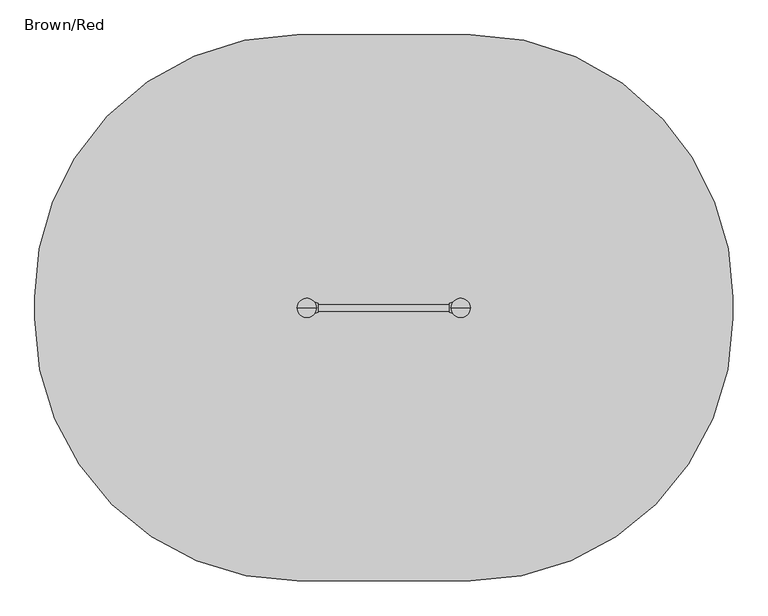
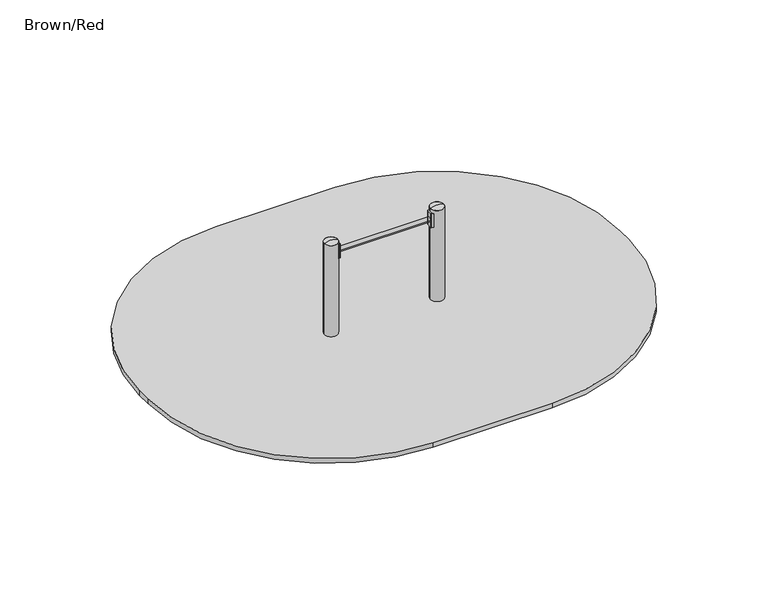
"""IFC4 building model written with IfcOpenShell, lengths in millimetres: furniture geometry, Brown/Red."""

from ifc_helpers import new_model, si_unit, point, frame, frame_2d, origin, place, context, project, spatial, polyline, circle_curve, ellipse_curve, trimmed, segment, composite_curve, outline, extrude, source, transform, mapped, element, save
from ifc_brep_helpers import plane_surface, cylinder_surface, revolved_surface, extruded_surface, advanced_brep


def brown_red_815c9fa6(model_context):
    return source(origin(), model_context, "Body", "SolidModel", [
        extrude(outline(composite_curve([segment(trimmed(circle_curve(frame_2d((392.9142918, -30.3699948)), 1.0), [point((393.7544629, -29.8276734))], [point((392.5722716, -31.3096874))], False, "CARTESIAN"), True, "CONTINUOUS"), segment(polyline([(392.5722716, -31.3096874), (375.8945227, -25.2394832)]), True, "CONTINUOUS"), segment(trimmed(circle_curve(frame_2d((376.2365429, -24.2997906)), 1.0), [point((375.8945227, -25.2394832))], [point((375.2365429, -24.2997906))], False, "CARTESIAN"), True, "CONTINUOUS"), segment(polyline([(375.2365429, -24.2997906), (375.2365429, 24.2997943)]), True, "CONTINUOUS"), segment(trimmed(circle_curve(frame_2d((376.2365429, 24.2997943)), 1.0), [point((375.2365429, 24.2997943))], [point((375.8945227, 25.2394869))], False, "CARTESIAN"), True, "CONTINUOUS"), segment(polyline([(375.8945227, 25.2394869), (392.5722716, 31.3096911)]), True, "CONTINUOUS"), segment(trimmed(circle_curve(frame_2d((392.9142918, 30.3699985)), 1.0), [point((392.5722716, 31.3096911))], [point((393.7544629, 29.8276771))], False, "CARTESIAN"), True, "CONTINUOUS"), segment(trimmed(circle_curve(frame_2d((439.9638752, 1.9e-06)), 55.0), [point((393.7544629, 29.8276771))], [point((393.7544629, -29.8276734))], True, "CARTESIAN"), True, "CONTINUOUS")], self_intersect=False)), frame((0.0, 0.0, 650.0), z_axis=(0.0, 0.0, 1.0), x_axis=(1.0, 0.0, 0.0)), (0.0, 0.0, 1.0), 120.0),
        extrude(outline(composite_curve([segment(trimmed(circle_curve(frame_2d((-392.9902489, 30.3699948)), 1.0), [point((-393.83042, 29.8276734))], [point((-392.6482288, 31.3096874))], False, "CARTESIAN"), True, "CONTINUOUS"), segment(polyline([(-392.6482288, 31.3096874), (-375.9704799, 25.2394832)]), True, "CONTINUOUS"), segment(trimmed(circle_curve(frame_2d((-376.3125, 24.2997906)), 1.0), [point((-375.9704799, 25.2394832))], [point((-375.3125, 24.2997906))], False, "CARTESIAN"), True, "CONTINUOUS"), segment(polyline([(-375.3125, 24.2997906), (-375.3125, -24.2997943)]), True, "CONTINUOUS"), segment(trimmed(circle_curve(frame_2d((-376.3125, -24.2997943)), 1.0), [point((-375.3125, -24.2997943))], [point((-375.9704799, -25.2394869))], False, "CARTESIAN"), True, "CONTINUOUS"), segment(polyline([(-375.9704799, -25.2394869), (-392.6482288, -31.3096911)]), True, "CONTINUOUS"), segment(trimmed(circle_curve(frame_2d((-392.9902489, -30.3699985)), 1.0), [point((-392.6482288, -31.3096911))], [point((-393.83042, -29.8276771))], False, "CARTESIAN"), True, "CONTINUOUS"), segment(trimmed(circle_curve(frame_2d((-440.0398324, -1.9e-06)), 55.0), [point((-393.83042, -29.8276771))], [point((-393.83042, 29.8276734))], True, "CARTESIAN"), True, "CONTINUOUS")], self_intersect=False)), frame((0.0, 0.0, 650.0), z_axis=(0.0, 0.0, 1.0), x_axis=(1.0, 0.0, 0.0)), (0.0, 0.0, 1.0), 120.0),
        advanced_brep(
        [(-427.5, 72.4599432, -224.0), (-440.0, 72.4599432, -224.0), (-452.5, 72.4599432, -224.0), (-512.5, 12.4599432, -224.0), (-512.5, -12.5400568, -224.0), (-452.5, -72.5400568, -224.0), (-427.5, -72.5400568, -224.0), (-367.5, -12.5400568, -224.0), (-367.5, 12.4599432, -224.0), (-350.0, 150.0, -459.0), (-440.0, 150.0, -459.0), (-530.0, 150.0, -459.0), (-590.0, 90.0, -459.0), (-590.0, -90.0, -459.0), (-530.0, -150.0, -459.0), (-350.0, -150.0, -459.0), (-290.0, -90.0, -459.0), (-290.0, 90.0, -459.0), (-350.0, 150.0, -599.0), (-290.0, 90.0, -599.0), (-290.0, -90.0, -599.0), (-350.0, -150.0, -599.0), (-530.0, -150.0, -599.0), (-590.0, -90.0, -599.0), (-590.0, 90.0, -599.0), (-530.0, 150.0, -599.0), (-440.0, 150.0, -599.0)],
        [
            (0, 1),
            (1, 2),
            (2, 3, circle_curve(frame((-452.5, 12.4599432, -224.0), z_axis=(0.0, 0.0, 1.0), x_axis=(1.0, 0.0, 0.0)), 60.0)),
            (3, 4),
            (4, 5, circle_curve(frame((-452.5, -12.5400568, -224.0), z_axis=(0.0, 0.0, 1.0), x_axis=(1.0, 0.0, 0.0)), 60.0)),
            (5, 6),
            (6, 7, circle_curve(frame((-427.5, -12.5400568, -224.0), z_axis=(0.0, 0.0, 1.0), x_axis=(1.0, 0.0, 0.0)), 60.0)),
            (7, 8),
            (8, 0, circle_curve(frame((-427.5, 12.4599432, -224.0), z_axis=(0.0, 0.0, 1.0), x_axis=(1.0, 0.0, 0.0)), 60.0)),
            (0, 9),
            (9, 10),
            (10, 1),
            (10, 11),
            (11, 2),
            (11, 12, circle_curve(frame((-530.0, 90.0, -459.0), z_axis=(0.0, 0.0, 1.0), x_axis=(1.0, 0.0, 0.0)), 60.0)),
            (12, 3),
            (12, 13),
            (13, 4),
            (13, 14, circle_curve(frame((-530.0, -90.0, -459.0), z_axis=(0.0, 0.0, 1.0), x_axis=(1.0, 0.0, 0.0)), 60.0)),
            (14, 5),
            (14, 15),
            (15, 6),
            (15, 16, circle_curve(frame((-350.0, -90.0, -459.0), z_axis=(0.0, 0.0, 1.0), x_axis=(1.0, 0.0, 0.0)), 60.0)),
            (16, 7),
            (16, 17),
            (17, 8),
            (17, 9, circle_curve(frame((-350.0, 90.0, -459.0), z_axis=(0.0, 0.0, 1.0), x_axis=(1.0, 0.0, 0.0)), 60.0)),
            (18, 19, circle_curve(frame((-350.0, 90.0, -599.0), z_axis=(0.0, 0.0, -1.0), x_axis=(1.0, 0.0, 0.0)), 60.0)),
            (19, 20),
            (20, 21, circle_curve(frame((-350.0, -90.0, -599.0), z_axis=(0.0, 0.0, -1.0), x_axis=(1.0, 0.0, 0.0)), 60.0)),
            (21, 22),
            (22, 23, circle_curve(frame((-530.0, -90.0, -599.0), z_axis=(0.0, 0.0, -1.0), x_axis=(1.0, 0.0, 0.0)), 60.0)),
            (23, 24),
            (24, 25, circle_curve(frame((-530.0, 90.0, -599.0), z_axis=(0.0, 0.0, -1.0), x_axis=(1.0, 0.0, 0.0)), 60.0)),
            (25, 26),
            (26, 18),
            (26, 10),
            (9, 18),
            (25, 11),
            (23, 13),
            (12, 24),
            (21, 15),
            (14, 22),
            (19, 17),
            (16, 20),
        ],
        [
            plane_surface(frame((-440.0, 8.0154988, -224.0), z_axis=(0.0, 0.0, 1.0), x_axis=(-1.0, 0.0, 0.0))),
            plane_surface(frame((-433.75, 72.4599432, -224.0), z_axis=(0.0, 0.9496406059136844, 0.3133412191204512), x_axis=(1.0, 0.0, 0.0))),
            plane_surface(frame((-446.25, 72.4599432, -224.0), z_axis=(0.0, 0.9496406059136843, 0.3133412191204512), x_axis=(1.0, 0.0, 0.0))),
            extruded_surface(trimmed(circle_curve(frame((-452.5, 12.4599432, -224.0), z_axis=(0.0, 0.0, -1.0), x_axis=(1.0, 0.0, 0.0)), 60.0), [point((-512.5, 12.4599432, -224.0))], [point((-452.5, 72.4599432, -224.0))], True, "CARTESIAN"), (-77.5, 77.5400568, -235.0), 259.3139225119763),
            plane_surface(frame((-512.5, -0.0400568, -224.0), z_axis=(-0.9496887635303409, 0.0, 0.31319523052596476), x_axis=(0.0, 1.0, 0.0))),
            extruded_surface(trimmed(circle_curve(frame((-452.5, -12.5400568, -224.0), z_axis=(0.0, 0.0, -1.0), x_axis=(1.0, 0.0, 0.0)), 60.0), [point((-452.5, -72.5400568, -224.0))], [point((-512.5, -12.5400568, -224.0))], True, "CARTESIAN"), (-77.5, -77.4599432, -235.0), 259.2899782107809),
            plane_surface(frame((-440.0, -72.5400568, -224.0), z_axis=(0.0, -0.9497369035840961, 0.3130492197250991), x_axis=(-1.0, 0.0, 0.0))),
            extruded_surface(trimmed(circle_curve(frame((-427.5, -12.5400568, -224.0), z_axis=(0.0, 0.0, -1.0), x_axis=(1.0, 0.0, 0.0)), 60.0), [point((-367.5, -12.5400568, -224.0))], [point((-427.5, -72.5400568, -224.0))], True, "CARTESIAN"), (77.5, -77.4599432, -235.0), 259.2899782107809),
            plane_surface(frame((-367.5, -0.0400568, -224.0), z_axis=(0.9496887635303416, 0.0, 0.3131952305259627), x_axis=(0.0, -1.0, 0.0))),
            extruded_surface(trimmed(circle_curve(frame((-427.5, 12.4599432, -224.0), z_axis=(0.0, 0.0, -1.0), x_axis=(1.0, 0.0, 0.0)), 60.0), [point((-427.5, 72.4599432, -224.0))], [point((-367.5, 12.4599432, -224.0))], True, "CARTESIAN"), (77.5, 77.5400568, -235.0), 259.3139225119763),
            plane_surface(frame((-440.0, 150.0, -599.0), z_axis=(0.0, 0.0, -1.0), x_axis=(1.0, 0.0, 0.0))),
            plane_surface(frame((-350.0, 150.0, -459.0), z_axis=(0.0, 1.0, 0.0), x_axis=(0.0, 0.0, -1.0))),
            plane_surface(frame((-440.0, 150.0, -459.0), z_axis=(0.0, 1.0, 0.0), x_axis=(0.0, 0.0, -1.0))),
            plane_surface(frame((-590.0, 90.0, -459.0), z_axis=(-1.0, 0.0, 0.0), x_axis=(0.0, 0.0, -1.0))),
            plane_surface(frame((-530.0, -150.0, -459.0), z_axis=(0.0, -1.0, 0.0), x_axis=(0.0, 0.0, -1.0))),
            plane_surface(frame((-290.0, -90.0, -459.0), z_axis=(1.0, 0.0, 0.0), x_axis=(0.0, 0.0, -1.0))),
            cylinder_surface(frame((-530.0, 90.0, -599.0), z_axis=(0.0, 0.0, 1.0), x_axis=(1.0, 0.0, 0.0)), 60.0),
            cylinder_surface(frame((-530.0, -90.0, -599.0), z_axis=(0.0, 0.0, 1.0), x_axis=(1.0, 0.0, 0.0)), 60.0),
            cylinder_surface(frame((-350.0, -90.0, -599.0), z_axis=(0.0, 0.0, 1.0), x_axis=(1.0, 0.0, 0.0)), 60.0),
            cylinder_surface(frame((-350.0, 90.0, -599.0), z_axis=(0.0, 0.0, 1.0), x_axis=(1.0, 0.0, 0.0)), 60.0),
        ],
        [
            (0, [[1, 2, 3, 4, 5, 6, 7, 8, 9]]),
            (1, [[-1, 10, 11, 12]]),
            (2, [[-2, -12, 13, 14]]),
            (3, [[-3, -14, 15, 16]]),
            (4, [[-4, -16, 17, 18]]),
            (5, [[-5, -18, 19, 20]]),
            (6, [[-6, -20, 21, 22]]),
            (7, [[-7, -22, 23, 24]]),
            (8, [[-8, -24, 25, 26]]),
            (9, [[-9, -26, 27, -10]]),
            (10, [[28, 29, 30, 31, 32, 33, 34, 35, 36]]),
            (11, [[-36, 37, -11, 38]]),
            (12, [[-35, 39, -13, -37]]),
            (13, [[-33, 40, -17, 41]]),
            (14, [[-31, 42, -21, 43]]),
            (15, [[-29, 44, -25, 45]]),
            (16, [[-34, -41, -15, -39]]),
            (17, [[-32, -43, -19, -40]]),
            (18, [[-30, -45, -23, -42]]),
            (19, [[-28, -38, -27, -44]]),
        ],
    ),
        extrude(outline(composite_curve([segment(trimmed(circle_curve(frame_2d((-440.0, 0.0)), 55.0), [point((-495.0, 0.0))], [point((-385.0, 0.0))], False, "CARTESIAN"), True, "CONTINUOUS"), segment(trimmed(circle_curve(frame_2d((-440.0, 0.0)), 55.0), [point((-385.0, 0.0))], [point((-495.0, 0.0))], False, "CARTESIAN"), True, "CONTINUOUS")], self_intersect=False)), frame((0.0, 0.0, -599.0), z_axis=(0.0, 0.0, 1.0), x_axis=(1.0, 0.0, 0.0)), (0.0, 0.0, 1.0), 500.0),
        advanced_brep(
        [(452.5, 72.4599432, -224.0), (440.0, 72.4599432, -224.0), (427.5, 72.4599432, -224.0), (367.5, 12.4599432, -224.0), (367.5, -12.5400568, -224.0), (427.5, -72.5400568, -224.0), (452.5, -72.5400568, -224.0), (512.5, -12.5400568, -224.0), (512.5, 12.4599432, -224.0), (530.0, 150.0, -459.0), (440.0, 150.0, -459.0), (350.0, 150.0, -459.0), (290.0, 90.0, -459.0), (290.0, -90.0, -459.0), (350.0, -150.0, -459.0), (530.0, -150.0, -459.0), (590.0, -90.0, -459.0), (590.0, 90.0, -459.0), (530.0, 150.0, -599.0), (590.0, 90.0, -599.0), (590.0, -90.0, -599.0), (530.0, -150.0, -599.0), (350.0, -150.0, -599.0), (290.0, -90.0, -599.0), (290.0, 90.0, -599.0), (350.0, 150.0, -599.0), (440.0, 150.0, -599.0)],
        [
            (0, 1),
            (1, 2),
            (2, 3, circle_curve(frame((427.5, 12.4599432, -224.0), z_axis=(0.0, 0.0, 1.0), x_axis=(1.0, 0.0, 0.0)), 60.0)),
            (3, 4),
            (4, 5, circle_curve(frame((427.5, -12.5400568, -224.0), z_axis=(0.0, 0.0, 1.0), x_axis=(1.0, 0.0, 0.0)), 60.0)),
            (5, 6),
            (6, 7, circle_curve(frame((452.5, -12.5400568, -224.0), z_axis=(0.0, 0.0, 1.0), x_axis=(1.0, 0.0, 0.0)), 60.0)),
            (7, 8),
            (8, 0, circle_curve(frame((452.5, 12.4599432, -224.0), z_axis=(0.0, 0.0, 1.0), x_axis=(1.0, 0.0, 0.0)), 60.0)),
            (0, 9),
            (9, 10),
            (10, 1),
            (10, 11),
            (11, 2),
            (11, 12, circle_curve(frame((350.0, 90.0, -459.0), z_axis=(0.0, 0.0, 1.0), x_axis=(1.0, 0.0, 0.0)), 60.0)),
            (12, 3),
            (12, 13),
            (13, 4),
            (13, 14, circle_curve(frame((350.0, -90.0, -459.0), z_axis=(0.0, 0.0, 1.0), x_axis=(1.0, 0.0, 0.0)), 60.0)),
            (14, 5),
            (14, 15),
            (15, 6),
            (15, 16, circle_curve(frame((530.0, -90.0, -459.0), z_axis=(0.0, 0.0, 1.0), x_axis=(1.0, 0.0, 0.0)), 60.0)),
            (16, 7),
            (16, 17),
            (17, 8),
            (17, 9, circle_curve(frame((530.0, 90.0, -459.0), z_axis=(0.0, 0.0, 1.0), x_axis=(1.0, 0.0, 0.0)), 60.0)),
            (18, 19, circle_curve(frame((530.0, 90.0, -599.0), z_axis=(0.0, 0.0, -1.0), x_axis=(1.0, 0.0, 0.0)), 60.0)),
            (19, 20),
            (20, 21, circle_curve(frame((530.0, -90.0, -599.0), z_axis=(0.0, 0.0, -1.0), x_axis=(1.0, 0.0, 0.0)), 60.0)),
            (21, 22),
            (22, 23, circle_curve(frame((350.0, -90.0, -599.0), z_axis=(0.0, 0.0, -1.0), x_axis=(1.0, 0.0, 0.0)), 60.0)),
            (23, 24),
            (24, 25, circle_curve(frame((350.0, 90.0, -599.0), z_axis=(0.0, 0.0, -1.0), x_axis=(1.0, 0.0, 0.0)), 60.0)),
            (25, 26),
            (26, 18),
            (26, 10),
            (9, 18),
            (25, 11),
            (23, 13),
            (12, 24),
            (21, 15),
            (14, 22),
            (19, 17),
            (16, 20),
        ],
        [
            plane_surface(frame((440.0, 8.0154988, -224.0), z_axis=(0.0, 0.0, 1.0), x_axis=(-1.0, 0.0, 0.0))),
            plane_surface(frame((446.25, 72.4599432, -224.0), z_axis=(0.0, 0.9496406059136844, 0.3133412191204512), x_axis=(1.0, 0.0, 0.0))),
            plane_surface(frame((433.75, 72.4599432, -224.0), z_axis=(0.0, 0.9496406059136843, 0.3133412191204512), x_axis=(1.0, 0.0, 0.0))),
            extruded_surface(trimmed(circle_curve(frame((427.5, 12.4599432, -224.0), z_axis=(0.0, 0.0, -1.0), x_axis=(1.0, 0.0, 0.0)), 60.0), [point((367.5, 12.4599432, -224.0))], [point((427.5, 72.4599432, -224.0))], True, "CARTESIAN"), (-77.5, 77.5400568, -235.0), 259.3139225119763),
            plane_surface(frame((367.5, -0.0400568, -224.0), z_axis=(-0.9496887635303409, 0.0, 0.31319523052596476), x_axis=(0.0, 1.0, 0.0))),
            extruded_surface(trimmed(circle_curve(frame((427.5, -12.5400568, -224.0), z_axis=(0.0, 0.0, -1.0), x_axis=(1.0, 0.0, 0.0)), 60.0), [point((427.5, -72.5400568, -224.0))], [point((367.5, -12.5400568, -224.0))], True, "CARTESIAN"), (-77.5, -77.4599432, -235.0), 259.2899782107809),
            plane_surface(frame((440.0, -72.5400568, -224.0), z_axis=(0.0, -0.9497369035840961, 0.3130492197250991), x_axis=(-1.0, 0.0, 0.0))),
            extruded_surface(trimmed(circle_curve(frame((452.5, -12.5400568, -224.0), z_axis=(0.0, 0.0, -1.0), x_axis=(1.0, 0.0, 0.0)), 60.0), [point((512.5, -12.5400568, -224.0))], [point((452.5, -72.5400568, -224.0))], True, "CARTESIAN"), (77.5, -77.4599432, -235.0), 259.2899782107809),
            plane_surface(frame((512.5, -0.0400568, -224.0), z_axis=(0.9496887635303416, 0.0, 0.3131952305259627), x_axis=(0.0, -1.0, 0.0))),
            extruded_surface(trimmed(circle_curve(frame((452.5, 12.4599432, -224.0), z_axis=(0.0, 0.0, -1.0), x_axis=(1.0, 0.0, 0.0)), 60.0), [point((452.5, 72.4599432, -224.0))], [point((512.5, 12.4599432, -224.0))], True, "CARTESIAN"), (77.5, 77.5400568, -235.0), 259.3139225119763),
            plane_surface(frame((440.0, 150.0, -599.0), z_axis=(0.0, 0.0, -1.0), x_axis=(1.0, 0.0, 0.0))),
            plane_surface(frame((530.0, 150.0, -459.0), z_axis=(0.0, 1.0, 0.0), x_axis=(0.0, 0.0, -1.0))),
            plane_surface(frame((440.0, 150.0, -459.0), z_axis=(0.0, 1.0, 0.0), x_axis=(0.0, 0.0, -1.0))),
            plane_surface(frame((290.0, 90.0, -459.0), z_axis=(-1.0, 0.0, 0.0), x_axis=(0.0, 0.0, -1.0))),
            plane_surface(frame((350.0, -150.0, -459.0), z_axis=(0.0, -1.0, 0.0), x_axis=(0.0, 0.0, -1.0))),
            plane_surface(frame((590.0, -90.0, -459.0), z_axis=(1.0, 0.0, 0.0), x_axis=(0.0, 0.0, -1.0))),
            cylinder_surface(frame((350.0, 90.0, -599.0), z_axis=(0.0, 0.0, 1.0), x_axis=(1.0, 0.0, 0.0)), 60.0),
            cylinder_surface(frame((350.0, -90.0, -599.0), z_axis=(0.0, 0.0, 1.0), x_axis=(1.0, 0.0, 0.0)), 60.0),
            cylinder_surface(frame((530.0, -90.0, -599.0), z_axis=(0.0, 0.0, 1.0), x_axis=(1.0, 0.0, 0.0)), 60.0),
            cylinder_surface(frame((530.0, 90.0, -599.0), z_axis=(0.0, 0.0, 1.0), x_axis=(1.0, 0.0, 0.0)), 60.0),
        ],
        [
            (0, [[1, 2, 3, 4, 5, 6, 7, 8, 9]]),
            (1, [[-1, 10, 11, 12]]),
            (2, [[-2, -12, 13, 14]]),
            (3, [[-3, -14, 15, 16]]),
            (4, [[-4, -16, 17, 18]]),
            (5, [[-5, -18, 19, 20]]),
            (6, [[-6, -20, 21, 22]]),
            (7, [[-7, -22, 23, 24]]),
            (8, [[-8, -24, 25, 26]]),
            (9, [[-9, -26, 27, -10]]),
            (10, [[28, 29, 30, 31, 32, 33, 34, 35, 36]]),
            (11, [[-36, 37, -11, 38]]),
            (12, [[-35, 39, -13, -37]]),
            (13, [[-33, 40, -17, 41]]),
            (14, [[-31, 42, -21, 43]]),
            (15, [[-29, 44, -25, 45]]),
            (16, [[-34, -41, -15, -39]]),
            (17, [[-32, -43, -19, -40]]),
            (18, [[-30, -45, -23, -42]]),
            (19, [[-28, -38, -27, -44]]),
        ],
    ),
        extrude(outline(composite_curve([segment(trimmed(circle_curve(frame_2d((440.0, 0.0)), 55.0), [point((385.0, 0.0))], [point((495.0, 0.0))], False, "CARTESIAN"), True, "CONTINUOUS"), segment(trimmed(circle_curve(frame_2d((440.0, 0.0)), 55.0), [point((495.0, 0.0))], [point((385.0, 0.0))], False, "CARTESIAN"), True, "CONTINUOUS")], self_intersect=False)), frame((0.0, 0.0, -599.0), z_axis=(0.0, 0.0, 1.0), x_axis=(1.0, 0.0, 0.0)), (0.0, 0.0, 1.0), 500.0),
        advanced_brep(
        [(-385.0, 0.0, 800.0), (-495.0, 0.0, 800.0), (-440.0, 0.0, 812.0246565), (-440.0, 0.0, 800.0)],
        [
            (0, 1, circle_curve(frame((-440.0, 0.0, 800.0), z_axis=(0.0, 0.0, 1.0), x_axis=(-1.0, 0.0, 0.0)), 55.0)),
            (1, 2, circle_curve(frame((-444.5450144, 0.0, 701.0177111), z_axis=(0.0, 1.0, 0.0), x_axis=(-1.0, 0.0, 0.0)), 111.0999509)),
            (2, 0, circle_curve(frame((-435.4549856, 0.0, 701.0177111), z_axis=(0.0, 1.0, 0.0), x_axis=(1.0, 0.0, 0.0)), 111.0999509)),
            (1, 0, circle_curve(frame((-440.0, 0.0, 800.0), z_axis=(0.0, 0.0, 1.0), x_axis=(-1.0, 0.0, 0.0)), 55.0)),
            (3, 1),
            (0, 3),
        ],
        [
            revolved_surface(trimmed(ellipse_curve(frame((-444.5450144, 0.0, 701.0177111), z_axis=(0.0, -1.0, 0.0), x_axis=(-1.0, 0.0, 0.0)), 111.0999509, 111.0999509), [point((-440.0, 0.0, 812.0246565))], [point((-495.0, 0.0, 800.0))], True, "CARTESIAN"), (-440.0, 0.0, 419.0), (0.0, 0.0, -1.0)),
            plane_surface(frame((-440.0, 0.0, 800.0), z_axis=(0.0, 0.0, -1.0), x_axis=(-1.0, 0.0, 0.0))),
        ],
        [
            (0, [[1, 2, 3]]),
            (0, [[4, -3, -2]]),
            (1, [[5, -1, 6]]),
            (1, [[-6, -4, -5]]),
        ],
    ),
        advanced_brep(
        [(495.0, 0.0, 800.0), (385.0, 0.0, 800.0), (440.0, 0.0, 812.0246565), (440.0, 0.0, 800.0)],
        [
            (0, 1, circle_curve(frame((440.0, 0.0, 800.0), z_axis=(0.0, 0.0, 1.0), x_axis=(-1.0, 0.0, 0.0)), 55.0)),
            (1, 2, circle_curve(frame((435.4549856, 0.0, 701.0177111), z_axis=(0.0, 1.0, 0.0), x_axis=(-1.0, 0.0, 0.0)), 111.0999509)),
            (2, 0, circle_curve(frame((444.5450144, 0.0, 701.0177111), z_axis=(0.0, 1.0, 0.0), x_axis=(1.0, 0.0, 0.0)), 111.0999509)),
            (1, 0, circle_curve(frame((440.0, 0.0, 800.0), z_axis=(0.0, 0.0, 1.0), x_axis=(-1.0, 0.0, 0.0)), 55.0)),
            (3, 1),
            (0, 3),
        ],
        [
            revolved_surface(trimmed(ellipse_curve(frame((435.4549856, 0.0, 701.0177111), z_axis=(0.0, -1.0, 0.0), x_axis=(-1.0, 0.0, 0.0)), 111.0999509, 111.0999509), [point((440.0, 0.0, 812.0246565))], [point((385.0, 0.0, 800.0))], True, "CARTESIAN"), (440.0, 0.0, 419.0), (0.0, 0.0, -1.0)),
            plane_surface(frame((440.0, 0.0, 800.0), z_axis=(0.0, 0.0, -1.0), x_axis=(-1.0, 0.0, 0.0))),
        ],
        [
            (0, [[1, 2, 3]]),
            (0, [[4, -3, -2]]),
            (1, [[5, -1, 6]]),
            (1, [[-6, -4, -5]]),
        ],
    ),
        extrude(outline(composite_curve([segment(trimmed(circle_curve(frame_2d((0.0, 710.0)), 19.0), [point((19.0, 710.0))], [point((-19.0, 710.0))], False, "CARTESIAN"), True, "CONTINUOUS"), segment(trimmed(circle_curve(frame_2d((0.0, 710.0)), 19.0), [point((-19.0, 710.0))], [point((19.0, 710.0))], False, "CARTESIAN"), True, "CONTINUOUS")], self_intersect=False)), frame((-375.3125, 0.0, 0.0), z_axis=(1.0, 0.0, 0.0), x_axis=(0.0, 1.0, 0.0)), (0.0, 0.0, 1.0), 750.5490429),
        extrude(outline(composite_curve([segment(trimmed(circle_curve(frame_2d((495.0, 60.0)), 1500.0), [point((495.0, 1560.0))], [point((1595.2325264, 1079.5530333))], False, "CARTESIAN"), True, "CONTINUOUS"), segment(trimmed(circle_curve(frame_2d((495.0, 60.0)), 1500.0), [point((1595.2325264, 1079.5530333))], [point((1995.0, 60.0))], False, "CARTESIAN"), True, "CONTINUOUS"), segment(polyline([(1995.0, 60.0), (1995.0, -60.0)]), True, "CONTINUOUS"), segment(trimmed(circle_curve(frame_2d((495.0, -60.0)), 1500.0), [point((1995.0, -60.0))], [point((495.0, -1560.0))], False, "CARTESIAN"), True, "CONTINUOUS"), segment(polyline([(495.0, -1560.0), (-495.0, -1560.0)]), True, "CONTINUOUS"), segment(trimmed(circle_curve(frame_2d((-495.0, -60.0)), 1500.0), [point((-495.0, -1560.0))], [point((-1995.0, -60.0))], False, "CARTESIAN"), True, "CONTINUOUS"), segment(polyline([(-1995.0, -60.0), (-1995.0, 60.0)]), True, "CONTINUOUS"), segment(trimmed(circle_curve(frame_2d((-495.0, 60.0)), 1500.0), [point((-1995.0, 60.0))], [point((-1766.397934, 855.9568415))], False, "CARTESIAN"), True, "CONTINUOUS"), segment(trimmed(circle_curve(frame_2d((-495.0, 60.0)), 1500.0), [point((-1766.397934, 855.9568415))], [point((-495.0, 1560.0))], False, "CARTESIAN"), True, "CONTINUOUS"), segment(polyline([(-495.0, 1560.0), (495.0, 1560.0)]), True, "CONTINUOUS")], self_intersect=False)), frame((0.0, 0.0, -40.0), z_axis=(0.0, 0.0, 1.0), x_axis=(1.0, 0.0, 0.0)), (0.0, 0.0, 1.0), 41.0),
        extrude(outline(composite_curve([segment(trimmed(circle_curve(frame_2d((-440.0, 0.0)), 55.0), [point((-495.0, 0.0))], [point((-385.0, 0.0))], False, "CARTESIAN"), True, "CONTINUOUS"), segment(trimmed(circle_curve(frame_2d((-440.0, 0.0)), 55.0), [point((-385.0, 0.0))], [point((-495.0, 0.0))], False, "CARTESIAN"), True, "CONTINUOUS")], self_intersect=False)), frame((0.0, 0.0, -100.0), z_axis=(0.0, 0.0, 1.0), x_axis=(1.0, 0.0, 0.0)), (0.0, 0.0, 1.0), 900.0),
        extrude(outline(composite_curve([segment(trimmed(circle_curve(frame_2d((440.0, 0.0)), 55.0), [point((385.0, 0.0))], [point((495.0, 0.0))], False, "CARTESIAN"), True, "CONTINUOUS"), segment(trimmed(circle_curve(frame_2d((440.0, 0.0)), 55.0), [point((495.0, 0.0))], [point((385.0, 0.0))], False, "CARTESIAN"), True, "CONTINUOUS")], self_intersect=False)), frame((0.0, 0.0, -100.0), z_axis=(0.0, 0.0, 1.0), x_axis=(1.0, 0.0, 0.0)), (0.0, 0.0, 1.0), 900.0),
    ])


if __name__ == "__main__":
    model = new_model("IFC4")
    model_context = context("Model", 3, world=origin())
    ifc_project = project(units=[si_unit("LENGTHUNIT", "METRE", prefix="MILLI")], contexts=[model_context])
    site = spatial("IfcSite", under=ifc_project)
    building = spatial("IfcBuilding", under=site)
    placement = place(None, origin())
    brown_red_shape = brown_red_815c9fa6(model_context)
    element("IfcFurniture", 1, ObjectType="Brown/Red", at=placement, inside=building, context=model_context, shape_type="MappedRepresentation", body=[
        mapped(brown_red_shape, transform((0.0, 0.0, 0.0), x_axis=(1.0, 0.0, 0.0), y_axis=(0.0, 1.0, 0.0), z_axis=(0.0, 0.0, 1.0))),
    ])
    save(model, "model.ifc")
